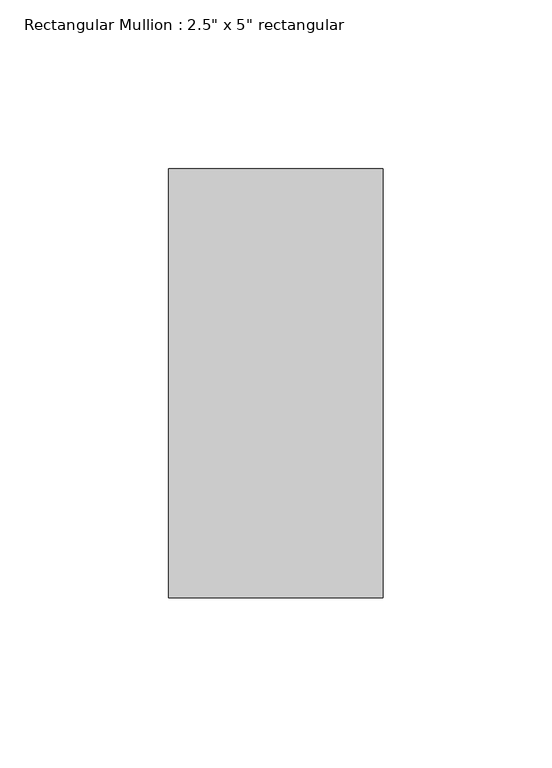
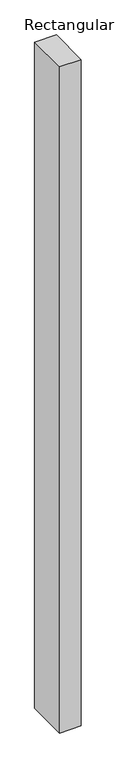
"""IFC4 building model written with IfcOpenShell, lengths in millimetres: member geometry."""

import ifcopenshell
import ifcopenshell.guid

model = None  # the IFC model being written
_history = None  # IfcOwnerHistory: only IFC2X3 demands one
_inside = {}  # id of a spatial element -> (the spatial element, [elements in it])
_under = {}  # id of a project, library or spatial element -> (it, [spatial elements below it])
_declared = {}  # id of a project -> (the project, [libraries it declares])
_typed = {}  # id of a type object -> (the type object, [elements of that type])
_made_of = {}  # id of a material, layer set ... -> (it, [elements and type objects made of it])


def new_model(schema):
    """Start an empty IFC model of exactly this schema.

    Asked for "IFC4X3", IfcOpenShell would pick the latest addendum, in which some entities
    have other attributes; the version numbers below select the first issue.
    IFC2X3 requires an IfcOwnerHistory on every rooted entity: one is made here for all.
    """
    global model, _history
    if schema == "IFC4X3":
        model = ifcopenshell.file(schema_version=(4, 3, 0, 0))
    else:
        model = ifcopenshell.file(schema=schema)
    _inside.clear()
    _under.clear()
    _declared.clear()
    _typed.clear()
    _made_of.clear()
    _history = None
    if model.schema == "IFC2X3":
        org = make("IfcOrganization", Name="unknown")
        user = make(
            "IfcPersonAndOrganization",
            ThePerson=make("IfcPerson", FamilyName="unknown"),
            TheOrganization=org,
        )
        app = make(
            "IfcApplication",
            ApplicationDeveloper=org,
            Version="unknown",
            ApplicationFullName="unknown",
            ApplicationIdentifier="unknown",
        )
        _history = make(
            "IfcOwnerHistory",
            OwningUser=user,
            OwningApplication=app,
            ChangeAction="ADDED",
            CreationDate=0,
        )
    return model


def make(cls, **values):
    """One entity of the class cls with the attributes given. An attribute that is None is left unset."""
    return model.create_entity(
        cls, **{name: value for name, value in values.items() if value is not None}
    )


def rooted(cls, **values):
    """An entity with a GlobalId (a new one), such as an element, a storey or a relation."""
    return make(cls, GlobalId=ifcopenshell.guid.new(), OwnerHistory=_history, **values)


def si_unit(unit_type, name, prefix=None):
    """IfcSIUnit, for example si_unit("LENGTHUNIT", "METRE", prefix="MILLI")."""
    return make("IfcSIUnit", UnitType=unit_type, Prefix=prefix, Name=name)


def assignment(units):
    """IfcUnitAssignment: the units of a project."""
    return None if units is None else make("IfcUnitAssignment", Units=units)


def point(xyz):
    """IfcCartesianPoint."""
    return None if xyz is None else make("IfcCartesianPoint", Coordinates=xyz)


def direction(xyz):
    """IfcDirection."""
    return None if xyz is None else make("IfcDirection", DirectionRatios=xyz)


def frame(location, z_axis=None, x_axis=None):
    """IfcAxis2Placement3D, a coordinate frame: its origin and axes. An axis left out is left unset."""
    return make(
        "IfcAxis2Placement3D",
        Location=point(location),
        Axis=direction(z_axis),
        RefDirection=direction(x_axis),
    )


def origin():
    """The frame at (0, 0, 0) with its axes left unset."""
    return frame((0.0, 0.0, 0.0))


def place(relative_to, where):
    """IfcLocalPlacement: puts the frame where relative to a parent placement (None: the world)."""
    return make(
        "IfcLocalPlacement", PlacementRelTo=relative_to, RelativePlacement=where
    )


def context(
    kind, dimensions, precision=None, world=None, true_north=None, identifier=None
):
    """IfcGeometricRepresentationContext, for example the 3D "Model" context."""
    return make(
        "IfcGeometricRepresentationContext",
        ContextIdentifier=identifier,
        ContextType=kind,
        CoordinateSpaceDimension=dimensions,
        Precision=precision,
        WorldCoordinateSystem=world,
        TrueNorth=true_north,
    )


def project(units=None, contexts=None):
    """IfcProject with its units and contexts."""
    return rooted(
        "IfcProject",
        Name="project",
        RepresentationContexts=contexts,
        UnitsInContext=assignment(units),
    )


def spatial(cls, under=None, at=None, **own):
    """A site, building, storey or space (cls), placed at a placement, below another one or the project."""
    s = rooted(cls, ObjectPlacement=at, **own)
    if under is not None:
        _under.setdefault(under.id(), (under, []))[1].append(s)
    return s


def polyline(points):
    """IfcPolyline through the points."""
    return make("IfcPolyline", Points=[point(p) for p in points])


def outline(outer, holes=None, kind="AREA"):
    """IfcArbitraryClosedProfileDef: a profile drawn as a closed curve; with holes, ...WithVoids."""
    if holes is None:
        return make("IfcArbitraryClosedProfileDef", ProfileType=kind, OuterCurve=outer)
    return make(
        "IfcArbitraryProfileDefWithVoids",
        ProfileType=kind,
        OuterCurve=outer,
        InnerCurves=holes,
    )


def extrude(swept, where, along, depth):
    """IfcExtrudedAreaSolid: the profile swept, set in the frame where, extruded along a direction by depth."""
    return make(
        "IfcExtrudedAreaSolid",
        SweptArea=swept,
        Position=where,
        ExtrudedDirection=direction(along),
        Depth=depth,
    )


def shape(context_of_items, identifier, shape_type, items):
    """IfcShapeRepresentation: the items that make up one representation, for example the "Body"."""
    return make(
        "IfcShapeRepresentation",
        ContextOfItems=context_of_items,
        RepresentationIdentifier=identifier,
        RepresentationType=shape_type,
        Items=items,
    )


def source(mapping_origin, context_of_items, identifier, shape_type, items):
    """IfcRepresentationMap: a shape defined once, which mapped items show again and again."""
    return make(
        "IfcRepresentationMap",
        MappingOrigin=mapping_origin,
        MappedRepresentation=shape(context_of_items, identifier, shape_type, items),
    )


def transform(
    local_origin,
    x_axis=None,
    y_axis=None,
    z_axis=None,
    scale=None,
    scale2=None,
    scale3=None,
    uniform=True,
):
    """IfcCartesianTransformationOperator3D, or its non-uniform kind. x_axis, y_axis, z_axis: its Axis1, 2, 3."""
    if uniform:
        return make(
            "IfcCartesianTransformationOperator3D",
            Axis1=direction(x_axis),
            Axis2=direction(y_axis),
            LocalOrigin=point(local_origin),
            Scale=scale,
            Axis3=direction(z_axis),
        )
    return make(
        "IfcCartesianTransformationOperator3DnonUniform",
        Axis1=direction(x_axis),
        Axis2=direction(y_axis),
        LocalOrigin=point(local_origin),
        Scale=scale,
        Axis3=direction(z_axis),
        Scale2=scale2,
        Scale3=scale3,
    )


def mapped(mapping_source, mapping_target):
    """IfcMappedItem: shows the shape of a source again, moved by a transform."""
    return make(
        "IfcMappedItem", MappingSource=mapping_source, MappingTarget=mapping_target
    )


def made_of(thing, what):
    """Note that an element or type object is made of a material, layer set ...; save() writes the relation."""
    if what is not None:
        _made_of.setdefault(what.id(), (what, []))[1].append(thing)
    return thing


def element(
    cls,
    number,
    at=None,
    inside=None,
    cuts=None,
    type_object=None,
    material=None,
    context=None,
    identifier="Body",
    shape_type=None,
    held_by="IfcProductDefinitionShape",
    body=None,
    shapes=None,
    **own,
):
    """One element of the class cls, such as IfcWall. Its Tag is "e" and its number.

    at: its placement. inside: the storey or other place that contains it. cuts: it is an
    opening in that element (IfcRelVoidsElement). A single representation is given by context,
    identifier, shape_type and body (its items); several are given by shapes. held_by: the class
    of the entity that holds the representations. save() writes the other relations.
    """
    e = rooted(cls, Tag="e%d" % number, ObjectPlacement=at, **own)
    if body is not None:
        shapes = [shape(context, identifier, shape_type, body)]
    if shapes is not None:
        e.Representation = make(held_by, Representations=shapes)
    if inside is not None:
        _inside.setdefault(inside.id(), (inside, []))[1].append(e)
    if cuts is not None:
        rooted(
            "IfcRelVoidsElement", RelatingBuildingElement=cuts, RelatedOpeningElement=e
        )
    if type_object is not None:
        _typed.setdefault(type_object.id(), (type_object, []))[1].append(e)
    return made_of(e, material)


def aggregate(whole, parts):
    """IfcRelAggregates: a whole, such as a stair, and the parts it consists of."""
    return rooted("IfcRelAggregates", RelatingObject=whole, RelatedObjects=parts)


def save(model, path):
    """Write the relations noted so far, then the file.

    IfcRelAggregates (storeys below a building ...), IfcRelContainedInSpatialStructure (elements
    in a storey), IfcRelDefinesByType, IfcRelAssociatesMaterial and IfcRelDeclares: one each for
    every whole, place, type object, material and project.
    """
    for whole, parts in _under.values():
        aggregate(whole, parts)
    for where, things in _inside.values():
        rooted(
            "IfcRelContainedInSpatialStructure",
            RelatedElements=things,
            RelatingStructure=where,
        )
    for kind, things in _typed.values():
        rooted("IfcRelDefinesByType", RelatedObjects=things, RelatingType=kind)
    for what, things in _made_of.values():
        rooted("IfcRelAssociatesMaterial", RelatedObjects=things, RelatingMaterial=what)
    for by, libraries in _declared.values():
        rooted("IfcRelDeclares", RelatingContext=by, RelatedDefinitions=libraries)
    model.write(path)


def member_760f9554(model_context):
    return source(origin(), model_context, "Body", "SweptSolid", [
        extrude(outline(polyline([(0.0, 63.5), (0.0, -63.5), (-63.5, -63.5), (-63.5, 63.5), (0.0, 63.5)])), frame((0.0, 0.0, -2070.1), z_axis=(0.0, 0.0, 1.0), x_axis=(1.0, 0.0, 0.0)), (0.0, 0.0, 1.0), 2070.1),
    ])


if __name__ == "__main__":
    model = new_model("IFC4")
    model_context = context("Model", 3, world=origin())
    ifc_project = project(units=[si_unit("LENGTHUNIT", "METRE", prefix="MILLI")], contexts=[model_context])
    site = spatial("IfcSite", under=ifc_project)
    building = spatial("IfcBuilding", under=site)
    placement = place(None, origin())
    member_shape = member_760f9554(model_context)
    element("IfcMember", 1, ObjectType="Rectangular Mullion : 2.5\" x 5\" rectangular", at=placement, inside=building, context=model_context, shape_type="MappedRepresentation", body=[
        mapped(member_shape, transform((0.0, 0.0, 0.0), x_axis=(1.0, 0.0, 0.0), y_axis=(0.0, 1.0, 0.0), z_axis=(0.0, 0.0, 1.0))),
    ])
    save(model, "model.ifc")
